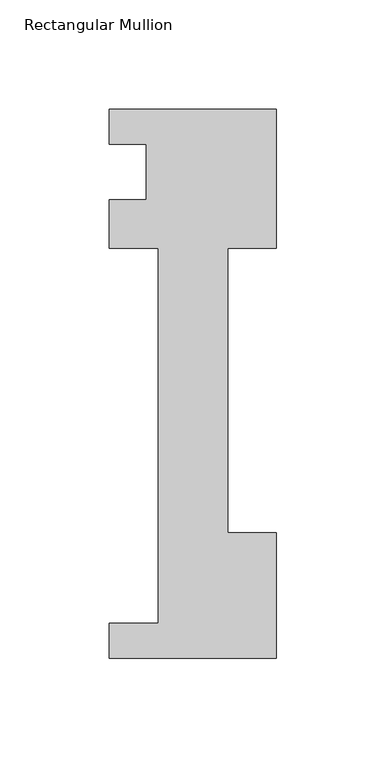
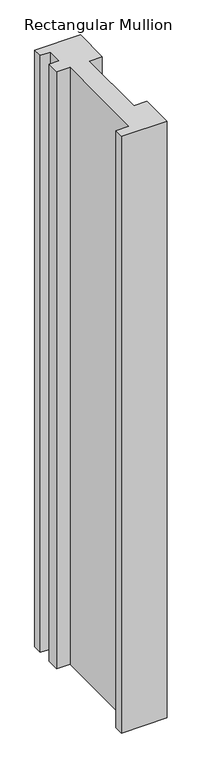
"""IFC4 building model written with IfcOpenShell, lengths in millimetres: member geometry, Rectangular Mullion."""

from ifc_helpers import new_model, si_unit, frame, origin, place, context, project, spatial, polyline, outline, extrude, source, transform, mapped, element, save


def rectangular_mullion_1b2c3c36(model_context):
    return source(origin(), model_context, "Body", "SweptSolid", [
        extrude(outline(polyline([(-76.2, -221.996), (-76.2, -206.121), (-53.975, -206.121), (-53.975, -34.671), (-76.2, -34.671), (-76.2, -12.446), (-59.2778052, -12.446), (-59.2778052, 12.954), (-76.2, 12.954), (-76.2, 28.8082618), (0.0, 28.8082618), (0.0, -34.671), (-22.225, -34.671), (-22.225, -164.75372), (0.0, -164.75372), (0.0, -221.996), (-76.2, -221.996)])), frame((0.0, 0.0, -1053.8552088), z_axis=(0.0, 0.0, 1.0), x_axis=(1.0, 0.0, 0.0)), (0.0, 0.0, 1.0), 1053.8552088),
    ])


if __name__ == "__main__":
    model = new_model("IFC4")
    model_context = context("Model", 3, world=origin())
    ifc_project = project(units=[si_unit("LENGTHUNIT", "METRE", prefix="MILLI")], contexts=[model_context])
    site = spatial("IfcSite", under=ifc_project)
    building = spatial("IfcBuilding", under=site)
    placement = place(None, origin())
    rectangular_mullion_shape = rectangular_mullion_1b2c3c36(model_context)
    element("IfcMember", 1, ObjectType="Rectangular Mullion", at=placement, inside=building, context=model_context, shape_type="MappedRepresentation", body=[
        mapped(rectangular_mullion_shape, transform((0.0, 0.0, 0.0), x_axis=(1.0, 0.0, 0.0), y_axis=(0.0, 1.0, 0.0), z_axis=(0.0, 0.0, 1.0))),
    ])
    save(model, "model.ifc")
